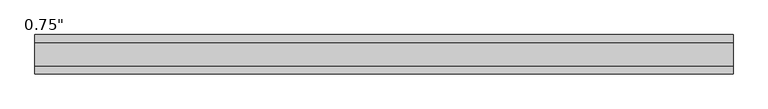
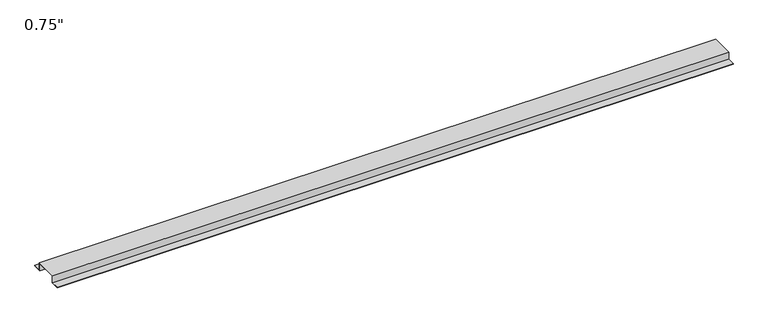
"""IFC4 building model written with IfcOpenShell, lengths in millimetres: proxy geometry."""

from ifc_helpers import new_model, si_unit, frame, origin, place, context, project, spatial, polyline, outline, extrude, source, transform, mapped, element, save


def proxy_c29a3d2e(model_context):
    return source(origin(), model_context, "Body", "SweptSolid", [
        extrude(outline(polyline([(46.0559645, -17.4625), (25.4, -17.4625), (25.4, 0.0), (-25.4, 0.0), (-25.4, -17.4625), (-46.0559645, -17.4625), (-46.0559645, -15.8492), (-27.0129, -15.8492), (-27.0129, 1.6129), (27.0129, 1.6129), (27.0129, -15.8492), (46.0559645, -15.8492), (46.0559645, -17.4625)])), frame((0.0, 0.0, 0.0), z_axis=(1.0, 0.0, 0.0), x_axis=(0.0, 1.0, 0.0)), (0.0, 0.0, 1.0), 1625.5566355),
    ])


if __name__ == "__main__":
    model = new_model("IFC4")
    model_context = context("Model", 3, world=origin())
    ifc_project = project(units=[si_unit("LENGTHUNIT", "METRE", prefix="MILLI")], contexts=[model_context])
    site = spatial("IfcSite", under=ifc_project)
    building = spatial("IfcBuilding", under=site)
    placement = place(None, origin())
    proxy_shape = proxy_c29a3d2e(model_context)
    element("IfcBuildingElementProxy", 1, Name="0.75\"", ObjectType="0.75\"", at=placement, inside=building, context=model_context, shape_type="MappedRepresentation", body=[
        mapped(proxy_shape, transform((0.0, 0.0, 0.0), x_axis=(1.0, 0.0, 0.0), y_axis=(0.0, 1.0, 0.0), z_axis=(0.0, 0.0, 1.0))),
    ])
    save(model, "model.ifc")
